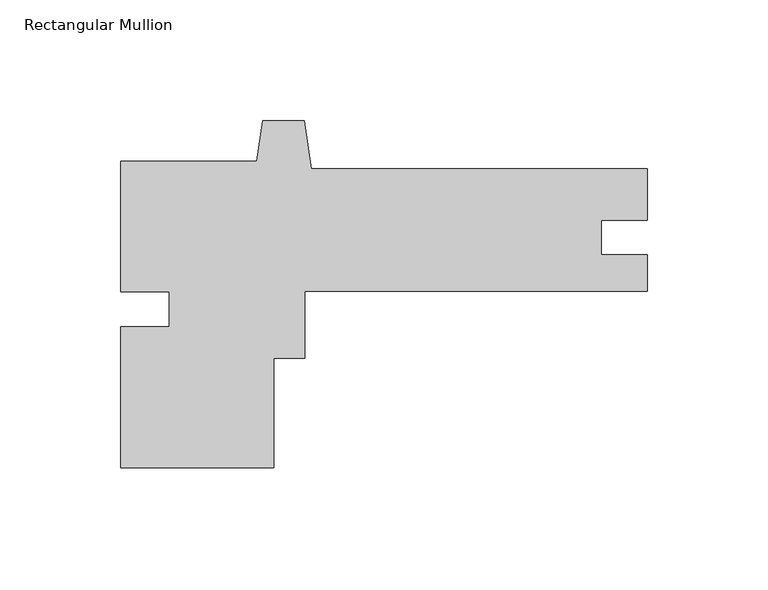
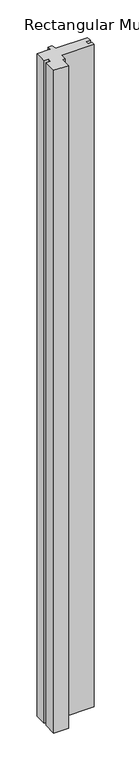
"""IFC4 building model written with IfcOpenShell, lengths in millimetres: member geometry, Rectangular Mullion."""

from ifc_helpers import new_model, si_unit, frame, origin, place, context, project, spatial, polyline, outline, extrude, source, transform, mapped, element, save


def rectangular_mullion_17d5e77e(model_context):
    return source(origin(), model_context, "Body", "SweptSolid", [
        extrude(outline(polyline([(-154.7812513, -73.03135), (-218.2812513, -73.03135), (-218.2812513, -14.7002168), (-198.0465965, -14.7002168), (-198.0465965, -0.24765), (-218.2812513, -0.24765), (-218.2812513, 53.96865), (-161.8189324, 53.96865), (-159.4593831, 70.7577158), (-142.1656195, 70.7577158), (-139.359853, 50.79365), (-1.3e-06, 50.79365), (-1.3e-06, 29.4068434), (-19.0246, 29.4068434), (-19.0246, 15.09395), (0.0, 15.09395), (0.0, -0.00635), (-142.0812513, -0.00635), (-142.0812513, -27.7876), (-154.7812513, -27.7876), (-154.7812513, -73.03135)])), frame((0.0, 0.0, -3048.0), z_axis=(0.0, 0.0, 1.0), x_axis=(1.0, 0.0, 0.0)), (0.0, 0.0, 1.0), 3048.0),
    ])


if __name__ == "__main__":
    model = new_model("IFC4")
    model_context = context("Model", 3, world=origin())
    ifc_project = project(units=[si_unit("LENGTHUNIT", "METRE", prefix="MILLI")], contexts=[model_context])
    site = spatial("IfcSite", under=ifc_project)
    building = spatial("IfcBuilding", under=site)
    placement = place(None, origin())
    rectangular_mullion_shape = rectangular_mullion_17d5e77e(model_context)
    element("IfcMember", 1, ObjectType="Rectangular Mullion", at=placement, inside=building, context=model_context, shape_type="MappedRepresentation", body=[
        mapped(rectangular_mullion_shape, transform((0.0, 0.0, 0.0), x_axis=(1.0, 0.0, 0.0), y_axis=(0.0, 1.0, 0.0), z_axis=(0.0, 0.0, 1.0))),
    ])
    save(model, "model.ifc")
